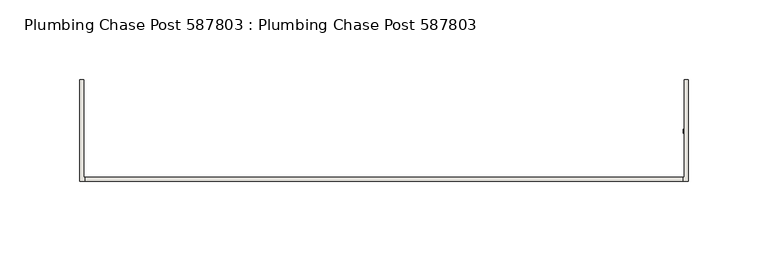
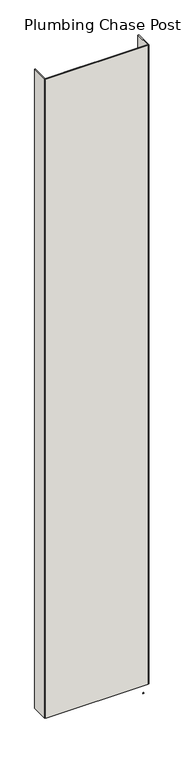
"""IFC4 building model written with IfcOpenShell, lengths in millimetres: wall geometry, Plumbing Chase Post 587803 : Plumbing Chase Post 587803."""

from ifc_helpers import new_model, si_unit, frame, origin, place, context, project, spatial, polyline, outline, extrude, source, transform, mapped, element, save


def plumbing_chase_post_587803_plumbing_chase_post_587803_4246c5ab(model_context):
    return source(origin(), model_context, "Body", "SweptSolid", [
        extrude(outline(polyline([(47367.1751156, -43072.1814704), (47369.7151156, -43072.1814704), (47369.7151156, -43074.7214704), (47367.1751156, -43074.7214704), (47367.1751156, -43072.1814704)])), frame((0.0, 0.0, 4419.6), z_axis=(0.0, 0.0, 1.0), x_axis=(1.0, 0.0, 0.0)), (0.0, 0.0, 1.0), 2.54),
        extrude(outline(polyline([(47367.0126572, -43105.4495014), (46991.423162, -43105.4495014), (46991.423162, -43102.7830094), (47367.0126572, -43102.7830094), (47367.0126572, -43105.4495014)])), frame((0.0, 0.0, 4474.8958), z_axis=(0.0, 0.0, 1.0), x_axis=(1.0, 0.0, 0.0)), (0.0, 0.0, 1.0), 2481.1482254),
        extrude(outline(polyline([(47367.0126572, -43105.4495014), (46991.423162, -43105.4495014), (46991.423162, -43102.7830094), (47367.0126572, -43102.7830094), (47367.0126572, -43105.4495014)])), frame((0.0, 0.0, 4474.8958), z_axis=(0.0, 0.0, 1.0), x_axis=(1.0, 0.0, 0.0)), (0.0, 0.0, 1.0), 2481.1482254),
        extrude(outline(polyline([(47370.4667016, -43105.4495014), (47237.1167016, -43105.4495014), (47237.1167016, -43102.7830094), (47367.8001842, -43102.7830094), (47367.8001842, -43041.4441176), (47370.4667016, -43041.4441176), (47370.4667016, -43105.4495014)])), frame((0.0, 0.0, 4474.8958), z_axis=(0.0, 0.0, 1.0), x_axis=(1.0, 0.0, 0.0)), (0.0, 0.0, 1.0), 2481.1482254),
        extrude(outline(polyline([(47370.4667016, -43105.4495014), (47237.1167016, -43105.4495014), (47237.1167016, -43102.7830094), (47367.8001842, -43102.7830094), (47367.8001842, -43041.4441176), (47370.4667016, -43041.4441176), (47370.4667016, -43105.4495014)])), frame((0.0, 0.0, 4474.8958), z_axis=(0.0, 0.0, 1.0), x_axis=(1.0, 0.0, 0.0)), (0.0, 0.0, 1.0), 2481.1482254),
        extrude(outline(polyline([(47121.3191176, -43102.7830094), (47121.3191176, -43105.4495014), (46987.9691176, -43105.4495014), (46987.9691176, -43041.4441176), (46990.6356096, -43041.4441176), (46990.6356096, -43102.7830094), (47121.3191176, -43102.7830094)])), frame((0.0, 0.0, 4474.8958), z_axis=(0.0, 0.0, 1.0), x_axis=(1.0, 0.0, 0.0)), (0.0, 0.0, 1.0), 2481.1482254),
        extrude(outline(polyline([(47121.3191176, -43102.7830094), (47121.3191176, -43105.4495014), (46987.9691176, -43105.4495014), (46987.9691176, -43041.4441176), (46990.6356096, -43041.4441176), (46990.6356096, -43102.7830094), (47121.3191176, -43102.7830094)])), frame((0.0, 0.0, 4474.8958), z_axis=(0.0, 0.0, 1.0), x_axis=(1.0, 0.0, 0.0)), (0.0, 0.0, 1.0), 2481.1482254),
    ])


if __name__ == "__main__":
    model = new_model("IFC4")
    model_context = context("Model", 3, world=origin())
    ifc_project = project(units=[si_unit("LENGTHUNIT", "METRE", prefix="MILLI")], contexts=[model_context])
    site = spatial("IfcSite", under=ifc_project)
    building = spatial("IfcBuilding", under=site)
    placement = place(None, origin())
    plumbing_chase_post_587803_plumbing_chase_post_587803_shape = plumbing_chase_post_587803_plumbing_chase_post_587803_4246c5ab(model_context)
    element("IfcWall", 1, ObjectType="Plumbing Chase Post 587803 : Plumbing Chase Post 587803", at=placement, inside=building, context=model_context, shape_type="MappedRepresentation", body=[
        mapped(plumbing_chase_post_587803_plumbing_chase_post_587803_shape, transform((0.0, 0.0, 0.0), x_axis=(1.0, 0.0, 0.0), y_axis=(0.0, 1.0, 0.0), z_axis=(0.0, 0.0, 1.0))),
    ])
    save(model, "model.ifc")
